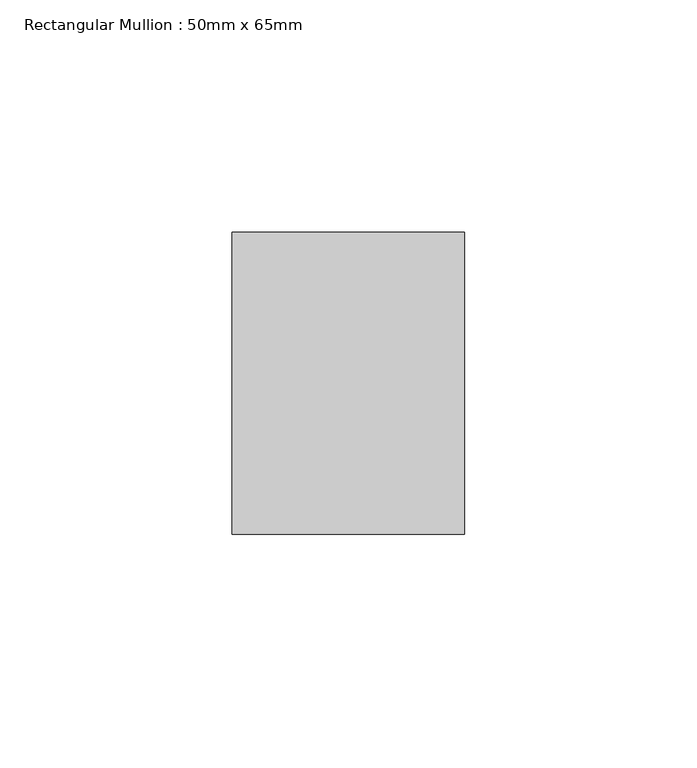
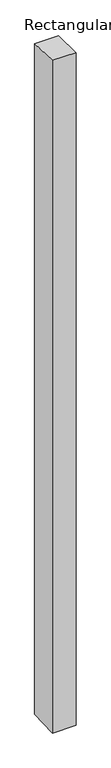
"""IFC4 building model written with IfcOpenShell, lengths in millimetres: member geometry, Rectangular Mullion : 50mm x 65mm."""

from ifc_helpers import new_model, si_unit, origin, place, context, project, spatial, faceted_brep, source, transform, mapped, element, save


def rectangular_mullion_50mm_x_65mm_12b577a6(model_context):
    return source(origin(), model_context, "Body", "Brep", [
        faceted_brep([(-25.0, 32.5, -0.8979687), (25.0, 32.5, -0.8979584), (25.0, 32.5, -1498.8580373), (-25.0, 32.5, -1498.8580242), (-25.0, -32.5, 0.8979584), (-25.0, -32.5, -1501.141925), (25.0, -32.5, 0.8979687), (25.0, -32.5, -1501.1419381)], [[[0, 1, 2, 3]], [[4, 0, 3, 5]], [[6, 4, 5, 7]], [[1, 6, 7, 2]], [[1, 0, 4, 6]], [[2, 7, 5, 3]]]),
    ])


if __name__ == "__main__":
    model = new_model("IFC4")
    model_context = context("Model", 3, world=origin())
    ifc_project = project(units=[si_unit("LENGTHUNIT", "METRE", prefix="MILLI")], contexts=[model_context])
    site = spatial("IfcSite", under=ifc_project)
    building = spatial("IfcBuilding", under=site)
    placement = place(None, origin())
    rectangular_mullion_50mm_x_65mm_shape = rectangular_mullion_50mm_x_65mm_12b577a6(model_context)
    element("IfcMember", 1, ObjectType="Rectangular Mullion : 50mm x 65mm", at=placement, inside=building, context=model_context, shape_type="MappedRepresentation", body=[
        mapped(rectangular_mullion_50mm_x_65mm_shape, transform((0.0, 0.0, 0.0), x_axis=(1.0, 0.0, 0.0), y_axis=(0.0, 1.0, 0.0), z_axis=(0.0, 0.0, 1.0))),
    ])
    save(model, "model.ifc")
